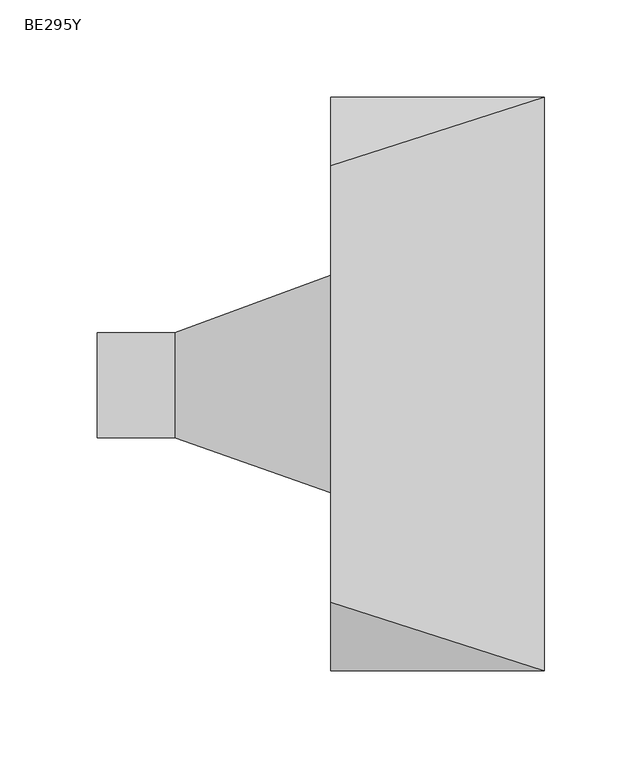
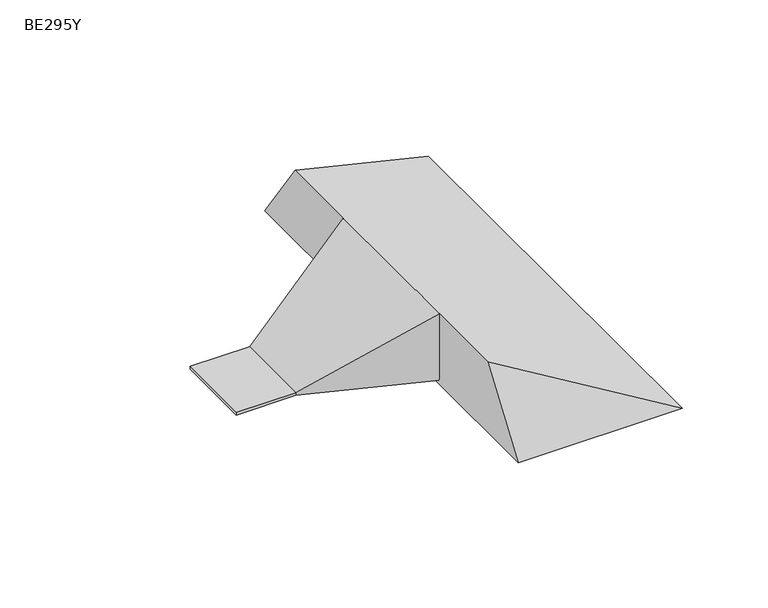
"""IFC4 building model written with IfcOpenShell, lengths in millimetres: proxy geometry, BE295Y."""

from ifc_helpers import new_model, si_unit, frame, origin, place, context, project, spatial, polyline, outline, extrude, faceted_brep, source, transform, mapped, element, save


def be295y_c61d96a3(model_context):
    return source(origin(), model_context, "Body", "SolidModel", [
        extrude(outline(polyline([(-80.0, 26.3376741), (-80.0, -27.5213222), (-120.0, -27.5213222), (-120.0, 26.3376741), (-80.0, 26.3376741)])), frame((0.0, 0.0, 3.0), z_axis=(0.0, 0.0, 1.0), x_axis=(1.0, 0.0, 0.0)), (0.0, 0.0, 1.0), 2.0),
        faceted_brep([(0.0, -147.5, 0.0), (0.0, 147.5, 0.0), (110.0, 147.5, 0.0), (110.0, -147.5, 0.0), (0.0, -112.1720823, 50.0), (0.0, -55.918544, 50.0), (0.0, -55.918544, 3.0), (0.0, 55.9603611, 3.0), (0.0, 55.9603611, 50.0), (0.0, 112.122687, 50.0), (-80.0, -27.5213222, 3.0), (-80.0, 26.3376741, 3.0), (-80.0, 26.3376741, 5.0), (-80.0, -27.5213222, 5.0)], [[[0, 1, 2, 3]], [[1, 0, 4, 5, 6, 7, 8, 9]], [[3, 2, 9, 8, 5, 4]], [[0, 3, 4]], [[2, 1, 9]], [[6, 10, 11, 7]], [[7, 11, 12, 8]], [[11, 10, 13, 12]], [[10, 6, 5, 13]], [[8, 12, 13, 5]]]),
    ])


if __name__ == "__main__":
    model = new_model("IFC4")
    model_context = context("Model", 3, world=origin())
    ifc_project = project(units=[si_unit("LENGTHUNIT", "METRE", prefix="MILLI")], contexts=[model_context])
    site = spatial("IfcSite", under=ifc_project)
    building = spatial("IfcBuilding", under=site)
    placement = place(None, origin())
    be295y_shape = be295y_c61d96a3(model_context)
    element("IfcBuildingElementProxy", 1, Name="BE295Y", ObjectType="BE295Y", at=placement, inside=building, context=model_context, shape_type="MappedRepresentation", body=[
        mapped(be295y_shape, transform((0.0, 0.0, 0.0), x_axis=(1.0, 0.0, 0.0), y_axis=(0.0, 1.0, 0.0), z_axis=(0.0, 0.0, 1.0))),
    ])
    save(model, "model.ifc")
